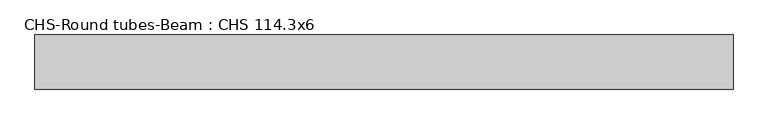
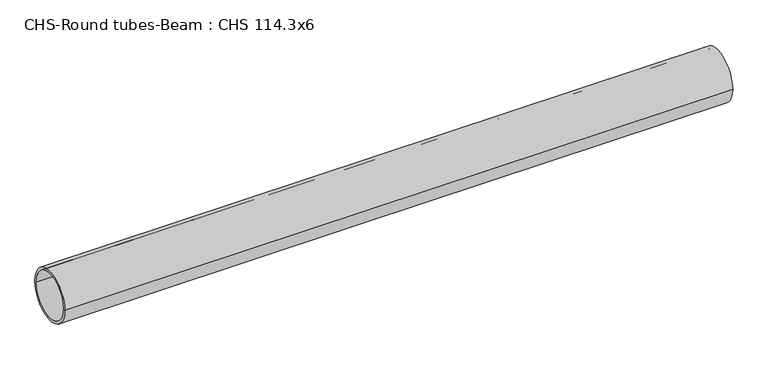
"""IFC4 building model written with IfcOpenShell, lengths in millimetres: beam geometry, CHS-Round tubes-Beam : CHS 114.3x6."""

from ifc_helpers import new_model, si_unit, point, frame, origin, origin_2d, place, context, project, spatial, circle_curve, trimmed, segment, composite_curve, outline, extrude, source, transform, mapped, element, save


def chs_round_tubes_beam_chs_114_3x6_94db5bd1(model_context):
    return source(origin(), model_context, "Body", "SweptSolid", [
        extrude(outline(composite_curve([segment(trimmed(circle_curve(origin_2d(), 57.15), [point((57.15, 0.0))], [point((-57.15, 0.0))], False, "CARTESIAN"), True, "CONTINUOUS"), segment(trimmed(circle_curve(origin_2d(), 57.15), [point((-57.15, 0.0))], [point((57.15, 0.0))], False, "CARTESIAN"), True, "CONTINUOUS")], self_intersect=False), holes=[composite_curve([segment(trimmed(circle_curve(origin_2d(), 51.15), [point((51.15, 0.0))], [point((-51.15, 0.0))], True, "CARTESIAN"), True, "CONTINUOUS"), segment(trimmed(circle_curve(origin_2d(), 51.15), [point((-51.15, 0.0))], [point((51.15, 0.0))], True, "CARTESIAN"), True, "CONTINUOUS")], self_intersect=False)]), frame((-702.0916147, 0.0, 0.0), z_axis=(1.0, 0.0, 0.0), x_axis=(0.0, 1.0, 0.0)), (0.0, 0.0, 1.0), 1473.5843613),
    ])


if __name__ == "__main__":
    model = new_model("IFC4")
    model_context = context("Model", 3, world=origin())
    ifc_project = project(units=[si_unit("LENGTHUNIT", "METRE", prefix="MILLI")], contexts=[model_context])
    site = spatial("IfcSite", under=ifc_project)
    building = spatial("IfcBuilding", under=site)
    placement = place(None, origin())
    chs_round_tubes_beam_chs_114_3x6_shape = chs_round_tubes_beam_chs_114_3x6_94db5bd1(model_context)
    element("IfcBeam", 1, ObjectType="CHS-Round tubes-Beam : CHS 114.3x6", at=placement, inside=building, context=model_context, shape_type="MappedRepresentation", body=[
        mapped(chs_round_tubes_beam_chs_114_3x6_shape, transform((0.0, 0.0, 0.0), x_axis=(1.0, 0.0, 0.0), y_axis=(0.0, 1.0, 0.0), z_axis=(0.0, 0.0, 1.0))),
    ])
    save(model, "model.ifc")
